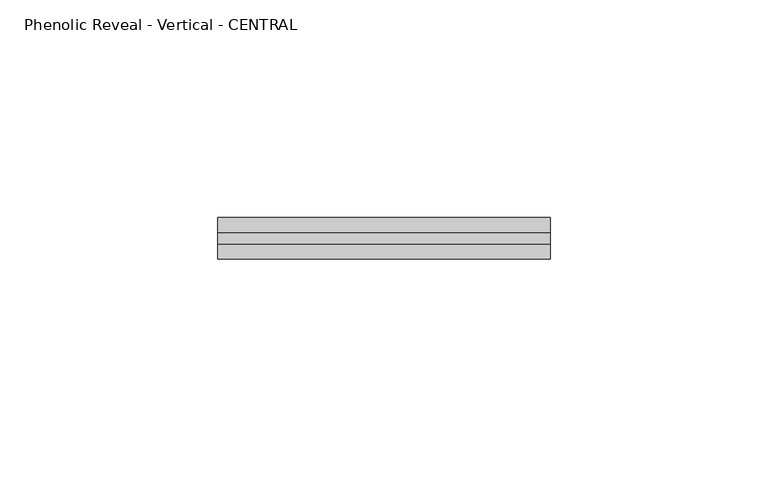
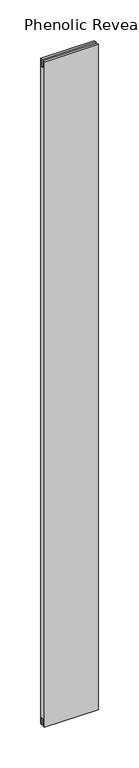
"""IFC4 building model written with IfcOpenShell, lengths in millimetres: proxy geometry, Phenolic Reveal - Vertical - CENTRAL."""

from ifc_helpers import new_model, si_unit, frame, origin, place, context, project, spatial, polyline, outline, extrude, source, transform, mapped, element, save


def phenolic_reveal_vertical_central_367b40d3(model_context):
    return source(origin(), model_context, "Body", "SweptSolid", [
        extrude(outline(polyline([(9.525, 1000.125), (9.525, 0.0), (6.0765851, 0.0), (6.0765851, 10.8408985), (3.3757545, 10.8408985), (3.3757545, 0.0), (0.0, 0.0), (0.0, 1000.125), (3.3757545, 1000.125), (3.3757545, 989.2841015), (6.0765851, 989.2841015), (6.0765851, 1000.125), (9.525, 1000.125)])), frame((0.0, 0.0, 0.0), z_axis=(1.0, 0.0, 0.0), x_axis=(0.0, 1.0, 0.0)), (0.0, 0.0, 1.0), 76.2),
    ])


if __name__ == "__main__":
    model = new_model("IFC4")
    model_context = context("Model", 3, world=origin())
    ifc_project = project(units=[si_unit("LENGTHUNIT", "METRE", prefix="MILLI")], contexts=[model_context])
    site = spatial("IfcSite", under=ifc_project)
    building = spatial("IfcBuilding", under=site)
    placement = place(None, origin())
    phenolic_reveal_vertical_central_shape = phenolic_reveal_vertical_central_367b40d3(model_context)
    element("IfcBuildingElementProxy", 1, Name="Phenolic Reveal - Vertical - CENTRAL", ObjectType="Phenolic Reveal - Vertical - CENTRAL", at=placement, inside=building, context=model_context, shape_type="MappedRepresentation", body=[
        mapped(phenolic_reveal_vertical_central_shape, transform((0.0, 0.0, 0.0), x_axis=(1.0, 0.0, 0.0), y_axis=(0.0, 1.0, 0.0), z_axis=(0.0, 0.0, 1.0))),
    ])
    save(model, "model.ifc")
